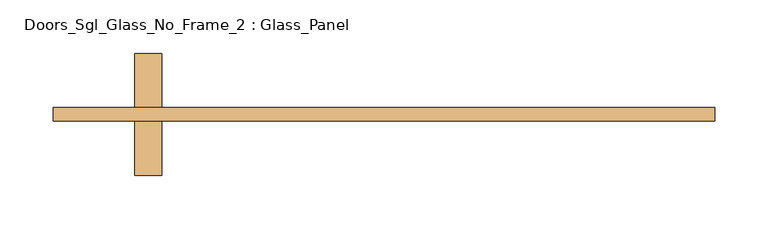
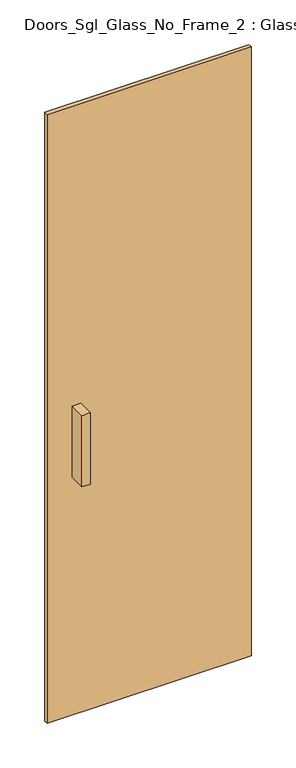
"""IFC4 building model written with IfcOpenShell, lengths in millimetres: door geometry, Doors_Sgl_Glass_No_Frame_2 : Glass_Panel."""

from ifc_helpers import new_model, si_unit, frame, origin, origin_with_axes, place, context, project, spatial, polyline, outline, extrude, source, transform, mapped, element, save


def doors_sgl_glass_no_frame_2_glass_panel_55570b8b(model_context):
    return source(origin(), model_context, "Body", "SweptSolid", [
        extrude(outline(polyline([(309.3634673, 0.0), (309.3634673, -12.7), (-309.3634673, -12.7), (-309.3634673, 0.0), (309.3634673, 0.0)])), origin_with_axes(), (0.0, 0.0, 1.0), 1951.2661909),
        extrude(outline(polyline([(-233.1634673, 50.8), (-207.7634673, 50.8), (-207.7634673, 0.0), (-233.1634673, 0.0), (-233.1634673, 50.8)])), frame((0.0, 0.0, 762.0), z_axis=(0.0, 0.0, 1.0), x_axis=(1.0, 0.0, 0.0)), (0.0, 0.0, 1.0), 228.6),
        extrude(outline(polyline([(-207.7634673, -63.5), (-233.1634673, -63.5), (-233.1634673, -12.7), (-207.7634673, -12.7), (-207.7634673, -63.5)])), frame((0.0, 0.0, 762.0), z_axis=(0.0, 0.0, 1.0), x_axis=(1.0, 0.0, 0.0)), (0.0, 0.0, 1.0), 228.6),
    ])


if __name__ == "__main__":
    model = new_model("IFC4")
    model_context = context("Model", 3, world=origin())
    ifc_project = project(units=[si_unit("LENGTHUNIT", "METRE", prefix="MILLI")], contexts=[model_context])
    site = spatial("IfcSite", under=ifc_project)
    building = spatial("IfcBuilding", under=site)
    placement = place(None, origin())
    doors_sgl_glass_no_frame_2_glass_panel_shape = doors_sgl_glass_no_frame_2_glass_panel_55570b8b(model_context)
    element("IfcDoor", 1, ObjectType="Doors_Sgl_Glass_No_Frame_2 : Glass_Panel", at=placement, inside=building, context=model_context, shape_type="MappedRepresentation", body=[
        mapped(doors_sgl_glass_no_frame_2_glass_panel_shape, transform((0.0, 0.0, 0.0), x_axis=(1.0, 0.0, 0.0), y_axis=(0.0, 1.0, 0.0), z_axis=(0.0, 0.0, 1.0))),
    ])
    save(model, "model.ifc")
